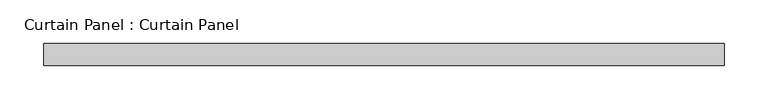
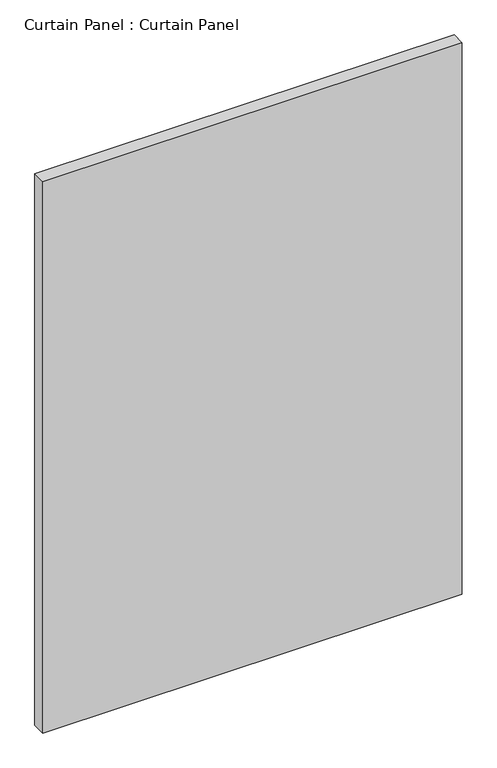
"""IFC4 building model written with IfcOpenShell, lengths in millimetres: plate geometry, Curtain Panel : Curtain Panel."""

from ifc_helpers import new_model, si_unit, frame, origin, place, context, project, spatial, polyline, outline, extrude, source, transform, mapped, element, save


def curtain_panel_curtain_panel_893f99d9(model_context):
    return source(origin(), model_context, "Body", "SweptSolid", [
        extrude(outline(polyline([(-39029.815729, -1996.9602036), (-39810.8731456, -1996.9602036), (-39810.8731456, -1971.5602036), (-39029.815729, -1971.5602036), (-39029.815729, -1996.9602036)])), frame((0.0, 0.0, 606.5772153), z_axis=(0.0, 0.0, 1.0), x_axis=(1.0, 0.0, 0.0)), (0.0, 0.0, 1.0), 1085.0304913),
    ])


if __name__ == "__main__":
    model = new_model("IFC4")
    model_context = context("Model", 3, world=origin())
    ifc_project = project(units=[si_unit("LENGTHUNIT", "METRE", prefix="MILLI")], contexts=[model_context])
    site = spatial("IfcSite", under=ifc_project)
    building = spatial("IfcBuilding", under=site)
    placement = place(None, origin())
    curtain_panel_curtain_panel_shape = curtain_panel_curtain_panel_893f99d9(model_context)
    element("IfcPlate", 1, ObjectType="Curtain Panel : Curtain Panel", at=placement, inside=building, context=model_context, shape_type="MappedRepresentation", body=[
        mapped(curtain_panel_curtain_panel_shape, transform((0.0, 0.0, 0.0), x_axis=(1.0, 0.0, 0.0), y_axis=(0.0, 1.0, 0.0), z_axis=(0.0, 0.0, 1.0))),
    ])
    save(model, "model.ifc")
